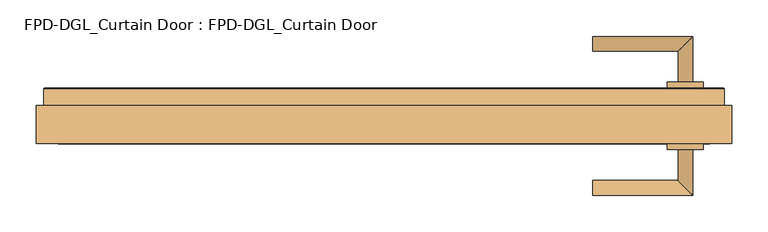
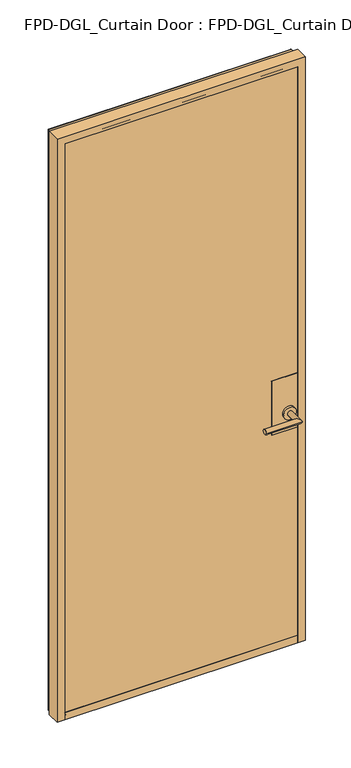
"""IFC4 building model written with IfcOpenShell, lengths in millimetres: door geometry, FPD-DGL_Curtain Door : FPD-DGL_Curtain Door."""

from ifc_helpers import new_model, si_unit, point, frame, frame_2d, origin, place, context, project, spatial, polyline, circle_curve, ellipse_curve, trimmed, segment, composite_curve, outline, extrude, source, transform, mapped, element, save
from ifc_brep_helpers import plane_surface, cylinder_surface, revolved_surface, advanced_brep


def fpd_dgl_curtain_door_fpd_dgl_curtain_door_ed6af8b0(model_context):
    return source(origin(), model_context, "Body", "SolidModel", [
        advanced_brep(
        [(286.7344563, 89.1684274, 965.2), (286.7344563, 109.240371, 965.2), (403.5840967, 89.1684274, 965.2), (423.6560403, 109.240371, 965.2), (403.5840967, 46.5341787, 965.2), (423.6560403, 46.5341787, 965.2)],
        [
            (0, 1, circle_curve(frame((286.7344563, 99.2043992, 965.2), z_axis=(-1.0, 0.0, 0.0), x_axis=(0.0, 1.0, 0.0)), 10.0359718)),
            (1, 0, circle_curve(frame((286.7344563, 99.2043992, 965.2), z_axis=(-1.0, 0.0, 0.0), x_axis=(0.0, 1.0, 0.0)), 10.0359718)),
            (0, 2),
            (2, 3, ellipse_curve(frame((413.6200685, 99.2043992, 965.2), z_axis=(-0.7071067811865464, 0.7071067811865488, 0.0), x_axis=(-0.7071067811865487, -0.7071067811865464, 0.0)), 14.1930074, 10.0359718)),
            (3, 1),
            (3, 2, ellipse_curve(frame((413.6200685, 99.2043992, 965.2), z_axis=(-0.7071067811865464, 0.7071067811865488, 0.0), x_axis=(-0.7071067811865487, -0.7071067811865464, 0.0)), 14.1930074, 10.0359718)),
            (4, 5, circle_curve(frame((413.6200685, 46.5341787, 965.2), z_axis=(0.0, -1.0, 0.0), x_axis=(1.0, 0.0, 0.0)), 10.0359718)),
            (5, 4, circle_curve(frame((413.6200685, 46.5341787, 965.2), z_axis=(0.0, -1.0, 0.0), x_axis=(1.0, 0.0, 0.0)), 10.0359718)),
            (2, 4),
            (5, 3),
        ],
        [
            plane_surface(frame((286.7344563, 99.2043992, 965.2), z_axis=(-1.0, 0.0, 0.0), x_axis=(0.0, 0.0, 1.0))),
            cylinder_surface(frame((286.7344563, 99.2043992, 965.2), z_axis=(-1.0, 0.0, 0.0), x_axis=(0.0, 1.0, 0.0)), 10.0359718),
            plane_surface(frame((413.6200685, 46.5341787, 965.2), z_axis=(0.0, -1.0, 0.0), x_axis=(0.0, 0.0, 1.0))),
            cylinder_surface(frame((413.6200685, 99.2043992, 965.2), z_axis=(0.0, 1.0, 0.0), x_axis=(1.0, 0.0, 0.0)), 10.0359718),
        ],
        [
            (0, [[1, 2]]),
            (1, [[-1, 3, 4, 5]]),
            (1, [[-2, -5, 6, -3]]),
            (2, [[7, 8]]),
            (3, [[-4, 9, -8, 10]]),
            (3, [[-6, -10, -7, -9]]),
        ],
    ),
        advanced_brep(
        [(403.5840967, -46.3299066, 965.2), (423.6560403, -46.3299066, 965.2), (403.5840967, -88.9641553, 965.2), (423.6560403, -109.0360989, 965.2), (286.7344563, -88.9641553, 965.2), (286.7344563, -109.0360989, 965.2)],
        [
            (0, 1, circle_curve(frame((413.6200685, -46.3299066, 965.2), z_axis=(0.0, 1.0, 0.0), x_axis=(1.0, 0.0, 0.0)), 10.0359718)),
            (1, 0, circle_curve(frame((413.6200685, -46.3299066, 965.2), z_axis=(0.0, 1.0, 0.0), x_axis=(1.0, 0.0, 0.0)), 10.0359718)),
            (0, 2),
            (2, 3, ellipse_curve(frame((413.6200685, -99.0001271, 965.2), z_axis=(0.7071067811865487, 0.7071067811865464, 0.0), x_axis=(-0.7071067811865464, 0.7071067811865487, 0.0)), 14.1930074, 10.0359718)),
            (3, 1),
            (3, 2, ellipse_curve(frame((413.6200685, -99.0001271, 965.2), z_axis=(0.7071067811865487, 0.7071067811865464, 0.0), x_axis=(-0.7071067811865464, 0.7071067811865487, 0.0)), 14.1930074, 10.0359718)),
            (4, 5, circle_curve(frame((286.7344563, -99.0001271, 965.2), z_axis=(-1.0, 0.0, 0.0), x_axis=(0.0, -1.0, 0.0)), 10.0359718)),
            (5, 4, circle_curve(frame((286.7344563, -99.0001271, 965.2), z_axis=(-1.0, 0.0, 0.0), x_axis=(0.0, -1.0, 0.0)), 10.0359718)),
            (2, 4),
            (5, 3),
        ],
        [
            plane_surface(frame((413.6200685, -46.3299066, 965.2), z_axis=(0.0, 1.0, 0.0), x_axis=(0.0, 0.0, 1.0))),
            cylinder_surface(frame((413.6200685, -46.3299066, 965.2), z_axis=(0.0, 1.0, 0.0), x_axis=(1.0, 0.0, 0.0)), 10.0359718),
            plane_surface(frame((286.7344563, -99.0001271, 965.2), z_axis=(-1.0, 0.0, 0.0), x_axis=(0.0, 0.0, 1.0))),
            cylinder_surface(frame((413.6200685, -99.0001271, 965.2), z_axis=(1.0, 0.0, 0.0), x_axis=(0.0, -1.0, 0.0)), 10.0359718),
        ],
        [
            (0, [[1, 2]]),
            (1, [[-1, 3, 4, 5]]),
            (1, [[-2, -5, 6, -3]]),
            (2, [[7, 8]]),
            (3, [[-4, 9, -8, 10]]),
            (3, [[-6, -10, -7, -9]]),
        ],
    ),
        extrude(outline(composite_curve([segment(trimmed(circle_curve(frame_2d((965.2, 413.6200685)), 24.60625), [point((965.2, 389.0138185))], [point((965.2, 438.2263185))], False, "CARTESIAN"), True, "CONTINUOUS"), segment(trimmed(circle_curve(frame_2d((965.2, 413.6200685)), 24.60625), [point((965.2, 438.2263185))], [point((965.2, 389.0138185))], False, "CARTESIAN"), True, "CONTINUOUS")], self_intersect=False)), frame((0.0, -46.3299066, 0.0), z_axis=(0.0, 1.0, 0.0), x_axis=(0.0, 0.0, 1.0)), (0.0, 0.0, 1.0), 8.3298107),
        extrude(outline(composite_curve([segment(trimmed(circle_curve(frame_2d((965.2, 413.6200685)), 24.60625), [point((965.2, 389.0138185))], [point((965.2, 438.2263185))], False, "CARTESIAN"), True, "CONTINUOUS"), segment(trimmed(circle_curve(frame_2d((965.2, 413.6200685)), 24.60625), [point((965.2, 438.2263185))], [point((965.2, 389.0138185))], False, "CARTESIAN"), True, "CONTINUOUS")], self_intersect=False)), frame((0.0, 38.1999024, 0.0), z_axis=(0.0, 1.0, 0.0), x_axis=(0.0, 0.0, 1.0)), (0.0, 0.0, 1.0), 8.3342763),
        extrude(outline(polyline([(447.1201285, -38.0000959), (347.1200159, -38.0000959), (347.1200159, -36.6000989), (447.1201285, -36.6000989), (447.1201285, -38.0000959)])), frame((0.0, 0.0, 893.55), z_axis=(0.0, 0.0, 1.0), x_axis=(1.0, 0.0, 0.0)), (0.0, 0.0, 1.0), 220.0),
        extrude(outline(polyline([(447.1201285, 36.7999054), (347.1200159, 36.7999054), (347.1200159, 38.1999024), (447.1201285, 38.1999024), (447.1201285, 36.7999054)])), frame((0.0, 0.0, 893.55), z_axis=(0.0, 0.0, 1.0), x_axis=(1.0, 0.0, 0.0)), (0.0, 0.0, 1.0), 220.0),
        extrude(outline(polyline([(-457.7162996, 28.1030481), (-457.7162996, 36.7999054), (457.7162996, 36.7999054), (457.7162996, 28.1030481), (-457.7162996, 28.1030481)])), frame((0.0, 0.0, 35.2749614), z_axis=(0.0, 0.0, 1.0), x_axis=(1.0, 0.0, 0.0)), (0.0, 0.0, 1.0), 2331.339864),
        extrude(outline(polyline([(457.7162996, -28.0762398), (457.7162996, -36.7730971), (-457.7162996, -36.7730971), (-457.7162996, -28.0762398), (457.7162996, -28.0762398)])), frame((0.0, 0.0, 35.2749614), z_axis=(0.0, 0.0, 1.0), x_axis=(1.0, 0.0, 0.0)), (0.0, 0.0, 1.0), 2331.339864),
        advanced_brep(
        [(477.1092919, -38.0731917, 15.875), (447.1201285, -38.0731917, 15.875), (447.1201285, -36.773661, 15.875), (457.7162997, -36.773661, 15.875), (457.7162997, -28.076804, 15.875), (447.1201285, -28.076804, 15.875), (447.1201285, 28.1030481, 15.875), (457.7162996, 28.1030481, 15.875), (457.7162996, 36.7999054, 15.875), (447.1201285, 36.7999054, 15.875), (447.1201285, 38.0994357, 15.875), (465.9949186, 38.0994357, 15.875), (466.7946296, 37.2997247, 15.875), (466.7946296, 13.9501736, 15.875), (477.1092919, 13.9501736, 15.875), (477.1092919, -38.0731917, 2386.0078176), (-477.1092919, -38.0731917, 2386.0078176), (-477.1092919, -38.0731917, 15.875), (-447.1201285, -38.0731917, 15.875), (-447.1201285, -38.0731917, 2356.0186542), (447.1201285, -38.0731917, 2356.0186542), (447.1201285, -36.773661, 2356.0186542), (-447.1201285, -36.773661, 2356.0186542), (-447.1201285, -36.773661, 15.875), (-457.7162997, -36.773661, 15.875), (-457.7162997, -36.773661, 2366.6148254), (457.7162997, -36.773661, 2366.6148254), (457.7162997, -28.076804, 2366.6148254), (-457.7162997, -28.076804, 2366.6148254), (-457.7162997, -28.076804, 15.875), (-447.1201285, -28.076804, 15.875), (-447.1201285, -28.076804, 2356.0186542), (447.1201285, -28.076804, 2356.0186542), (447.1201285, 28.1030481, 2356.0186542), (-447.1201285, 28.1030481, 2356.0186542), (-447.1201285, 28.1030481, 15.875), (-457.7162996, 28.1030481, 15.875), (-457.7162996, 28.1030481, 2366.6148253), (457.7162996, 28.1030481, 2366.6148253), (457.7162996, 36.7999054, 2366.6148253), (-457.7162996, 36.7999054, 2366.6148253), (-457.7162996, 36.7999054, 15.875), (-447.1201285, 36.7999054, 15.875), (-447.1201285, 36.7999054, 2356.0186542), (447.1201285, 36.7999054, 2356.0186542), (447.1201285, 38.0994357, 2356.0186542), (-447.1201285, 38.0994357, 2356.0186542), (-447.1201285, 38.0994357, 15.875), (-465.9949186, 38.0994357, 15.875), (-465.9949186, 38.0994357, 2374.8934443), (465.9949186, 38.0994357, 2374.8934443), (466.7946296, 37.2997247, 2375.6931553), (466.7946296, 13.9501736, 2375.6931553), (-466.7946296, 13.9501736, 2375.6931553), (-466.7946296, 13.9501736, 15.875), (-477.1092919, 13.9501736, 15.875), (-477.1092919, 13.9501736, 2386.0078176), (477.1092919, 13.9501736, 2386.0078176), (-466.7946296, 37.2997247, 15.875), (-466.7946296, 37.2997247, 2375.6931553)],
        [
            (0, 1),
            (1, 2),
            (2, 3),
            (3, 4),
            (4, 5),
            (5, 6),
            (6, 7),
            (7, 8),
            (8, 9),
            (9, 10),
            (10, 11),
            (11, 12, circle_curve(frame((465.9949186, 37.2997247, 15.875), z_axis=(0.0, 0.0, -1.0), x_axis=(0.0, -1.0, 0.0)), 0.799711)),
            (12, 13),
            (13, 14),
            (14, 0),
            (0, 15),
            (15, 16),
            (16, 17),
            (17, 18),
            (18, 19),
            (19, 20),
            (20, 1),
            (20, 21),
            (21, 2),
            (21, 22),
            (22, 23),
            (23, 24),
            (24, 25),
            (25, 26),
            (26, 3),
            (26, 27),
            (27, 4),
            (27, 28),
            (28, 29),
            (29, 30),
            (30, 31),
            (31, 32),
            (32, 5),
            (32, 33),
            (33, 6),
            (33, 34),
            (34, 35),
            (35, 36),
            (36, 37),
            (37, 38),
            (38, 7),
            (38, 39),
            (39, 8),
            (39, 40),
            (40, 41),
            (41, 42),
            (42, 43),
            (43, 44),
            (44, 9),
            (44, 45),
            (45, 10),
            (45, 46),
            (46, 47),
            (47, 48),
            (48, 49),
            (49, 50),
            (50, 11),
            (50, 51, ellipse_curve(frame((465.9949186, 37.2997247, 2374.8934443), z_axis=(0.7071067811865475, 0.0, -0.7071067811865475), x_axis=(-0.7071067811865474, 0.0, -0.7071067811865476)), 1.1309622, 0.799711)),
            (51, 12),
            (51, 52),
            (52, 13),
            (52, 53),
            (53, 54),
            (54, 55),
            (55, 56),
            (56, 57),
            (57, 14),
            (57, 15),
            (16, 56),
            (55, 17),
            (54, 58),
            (58, 48, circle_curve(frame((-465.9949186, 37.2997247, 15.875), z_axis=(0.0, 0.0, -1.0), x_axis=(0.0, -1.0, 0.0)), 0.799711)),
            (47, 42),
            (41, 36),
            (35, 30),
            (29, 24),
            (23, 18),
            (22, 19),
            (28, 25),
            (34, 31),
            (40, 37),
            (46, 43),
            (59, 49, ellipse_curve(frame((-465.9949186, 37.2997247, 2374.8934443), z_axis=(-0.7071067811865475, 0.0, -0.7071067811865475), x_axis=(-0.7071067811865474, 0.0, 0.7071067811865476)), 1.1309622, 0.799711)),
            (58, 59),
            (53, 59),
            (59, 51),
        ],
        [
            plane_surface(frame((477.1092919, 0.0134041, 15.875), z_axis=(0.0, 0.0, -1.0), x_axis=(0.0, -1.0, 0.0))),
            plane_surface(frame((477.1092919, -38.0731917, 15.875), z_axis=(0.0, -1.0, 0.0), x_axis=(0.0, 0.0, 1.0))),
            plane_surface(frame((447.1201285, -38.0731917, 15.875), z_axis=(-1.0, 0.0, 0.0), x_axis=(0.0, 0.0, 1.0))),
            plane_surface(frame((447.1201285, -36.773661, 15.875), z_axis=(0.0, 1.0, 0.0), x_axis=(0.0, 0.0, 1.0))),
            plane_surface(frame((457.7162997, -36.773661, 15.875), z_axis=(-1.0, 0.0, 0.0), x_axis=(0.0, 0.0, 1.0))),
            plane_surface(frame((457.7162997, -28.076804, 15.875), z_axis=(0.0, -1.0, 0.0), x_axis=(0.0, 0.0, 1.0))),
            plane_surface(frame((447.1201285, -28.076804, 15.875), z_axis=(-1.0, 0.0, 0.0), x_axis=(0.0, 0.0, 1.0))),
            plane_surface(frame((447.1201285, 28.1030481, 15.875), z_axis=(0.0, 1.0, 0.0), x_axis=(0.0, 0.0, 1.0))),
            plane_surface(frame((457.7162996, 28.1030481, 15.875), z_axis=(-1.0, 0.0, 0.0), x_axis=(0.0, 0.0, 1.0))),
            plane_surface(frame((457.7162996, 36.7999054, 15.875), z_axis=(0.0, -1.0, 0.0), x_axis=(0.0, 0.0, 1.0))),
            plane_surface(frame((447.1201285, 36.7999054, 15.875), z_axis=(-1.0, 0.0, 0.0), x_axis=(0.0, 0.0, 1.0))),
            plane_surface(frame((447.1201285, 38.0994357, 15.875), z_axis=(0.0, 1.0, 0.0), x_axis=(0.0, 0.0, 1.0))),
            cylinder_surface(frame((465.9949186, 37.2997247, 15.875), z_axis=(0.0, 0.0, -1.0), x_axis=(0.0, -1.0, 0.0)), 0.799711),
            plane_surface(frame((466.7946296, 37.2997247, 15.875), z_axis=(1.0, 0.0, 0.0), x_axis=(0.0, 0.0, 1.0))),
            plane_surface(frame((466.7946296, 13.9501736, 15.875), z_axis=(0.0, 1.0, 0.0), x_axis=(0.0, 0.0, 1.0))),
            plane_surface(frame((477.1092919, 13.9501736, 15.875), z_axis=(1.0, 0.0, 0.0), x_axis=(0.0, 0.0, 1.0))),
            plane_surface(frame((-477.1092919, 13.9501736, 2386.0078176), z_axis=(-1.0, 0.0, 0.0), x_axis=(0.0, 0.0, -1.0))),
            plane_surface(frame((-477.1092919, 0.0134041, 15.875), z_axis=(0.0, 0.0, -1.0), x_axis=(0.0, -1.0, 0.0))),
            plane_surface(frame((-447.1201285, -38.0731917, 2356.0186542), z_axis=(1.0, 0.0, 0.0), x_axis=(0.0, 0.0, -1.0))),
            plane_surface(frame((-457.7162997, -36.773661, 2366.6148254), z_axis=(1.0, 0.0, 0.0), x_axis=(0.0, 0.0, -1.0))),
            plane_surface(frame((-447.1201285, -28.076804, 2356.0186542), z_axis=(1.0, 0.0, 0.0), x_axis=(0.0, 0.0, -1.0))),
            plane_surface(frame((-457.7162996, 28.1030481, 2366.6148253), z_axis=(1.0, 0.0, 0.0), x_axis=(0.0, 0.0, -1.0))),
            plane_surface(frame((-447.1201285, 36.7999054, 2356.0186542), z_axis=(1.0, 0.0, 0.0), x_axis=(0.0, 0.0, -1.0))),
            cylinder_surface(frame((-465.9949186, 37.2997247, 2386.0078176), z_axis=(0.0, 0.0, 1.0), x_axis=(0.0, -1.0, 0.0)), 0.799711),
            plane_surface(frame((-466.7946296, 37.2997247, 2375.6931553), z_axis=(-1.0, 0.0, 0.0), x_axis=(0.0, 0.0, -1.0))),
            plane_surface(frame((447.1201285, -38.0731917, 2356.0186542), z_axis=(0.0, 0.0, -1.0), x_axis=(-1.0, 0.0, 0.0))),
            plane_surface(frame((457.7162997, -36.773661, 2366.6148254), z_axis=(0.0, 0.0, -1.0), x_axis=(-1.0, 0.0, 0.0))),
            plane_surface(frame((447.1201285, -28.076804, 2356.0186542), z_axis=(0.0, 0.0, -1.0), x_axis=(-1.0, 0.0, 0.0))),
            plane_surface(frame((457.7162996, 28.1030481, 2366.6148253), z_axis=(0.0, 0.0, -1.0), x_axis=(-1.0, 0.0, 0.0))),
            plane_surface(frame((447.1201285, 36.7999054, 2356.0186542), z_axis=(0.0, 0.0, -1.0), x_axis=(-1.0, 0.0, 0.0))),
            cylinder_surface(frame((477.1092919, 37.2997247, 2374.8934443), z_axis=(1.0, 0.0, 0.0), x_axis=(0.0, -1.0, 0.0)), 0.799711),
            plane_surface(frame((466.7946296, 37.2997247, 2375.6931553), z_axis=(0.0, 0.0, 1.0), x_axis=(-1.0, 0.0, 0.0))),
            plane_surface(frame((477.1092919, 13.9501736, 2386.0078176), z_axis=(0.0, 0.0, 1.0), x_axis=(-1.0, 0.0, 0.0))),
        ],
        [
            (0, [[1, 2, 3, 4, 5, 6, 7, 8, 9, 10, 11, 12, 13, 14, 15]]),
            (1, [[-1, 16, 17, 18, 19, 20, 21, 22]]),
            (2, [[-2, -22, 23, 24]]),
            (3, [[-3, -24, 25, 26, 27, 28, 29, 30]]),
            (4, [[-4, -30, 31, 32]]),
            (5, [[-5, -32, 33, 34, 35, 36, 37, 38]]),
            (6, [[-6, -38, 39, 40]]),
            (7, [[-7, -40, 41, 42, 43, 44, 45, 46]]),
            (8, [[-8, -46, 47, 48]]),
            (9, [[-9, -48, 49, 50, 51, 52, 53, 54]]),
            (10, [[-10, -54, 55, 56]]),
            (11, [[-11, -56, 57, 58, 59, 60, 61, 62]]),
            (12, [[-12, -62, 63, 64]]),
            (13, [[-13, -64, 65, 66]]),
            (14, [[-14, -66, 67, 68, 69, 70, 71, 72]]),
            (15, [[-15, -72, 73, -16]]),
            (16, [[74, -70, 75, -18]]),
            (17, [[-75, -69, 76, 77, -59, 78, -51, 79, -43, 80, -35, 81, -27, 82, -19]]),
            (18, [[83, -20, -82, -26]]),
            (19, [[84, -28, -81, -34]]),
            (20, [[85, -36, -80, -42]]),
            (21, [[86, -44, -79, -50]]),
            (22, [[87, -52, -78, -58]]),
            (23, [[88, -60, -77, 89]]),
            (24, [[90, -89, -76, -68]]),
            (25, [[-23, -21, -83, -25]]),
            (26, [[-31, -29, -84, -33]]),
            (27, [[-39, -37, -85, -41]]),
            (28, [[-47, -45, -86, -49]]),
            (29, [[-55, -53, -87, -57]]),
            (30, [[-63, -61, -88, 91]]),
            (31, [[-65, -91, -90, -67]]),
            (32, [[-73, -71, -74, -17]]),
        ],
    ),
        advanced_brep(
        [(447.1201285, 28.127892, 45.8749402), (447.1201285, -28.0721576, 45.8749402), (447.1201285, -28.0721576, 35.2749614), (447.1201285, -36.2721409, 35.2749614), (447.1201285, -36.7721399, 35.7749604), (447.1201285, -36.7721402, 43.0952793), (447.1201285, -36.6721405, 44.0749436), (447.1201285, -36.6721405, 45.8749402), (447.1201285, -38.0721375, 45.8749402), (447.1201285, -38.0721375, 15.875), (447.1201285, 37.3278641, 15.875), (447.1201285, 38.1278625, 16.6749984), (447.1201285, 38.1278625, 45.8749402), (447.1201285, 36.7278654, 45.8749402), (447.1201285, 36.7278654, 44.0749434), (447.1201285, 36.8278651, 43.0952791), (447.1201285, 36.8278651, 35.2749613), (447.1201285, 28.127892, 35.2749613), (-447.3975496, 28.127892, 45.8749402), (-447.3975496, 28.127892, 35.2749613), (-447.3975496, 36.8278651, 35.2749613), (-447.3975496, 36.8278651, 43.0952791), (-447.3975496, 36.7278654, 44.0749434), (-447.3975496, 36.7278654, 45.8749402), (-447.3975496, 38.1278625, 45.8749402), (-447.3975496, 38.1278625, 16.6749984), (-447.3975496, 37.3278641, 15.875), (-447.3975496, -38.0721375, 15.875), (-447.3975496, -38.0721375, 45.8749402), (-447.3975496, -36.6721405, 45.8749402), (-447.3975496, -36.6721405, 44.0749436), (-447.3975496, -36.7721402, 43.0952793), (-447.3975496, -36.7721402, 35.7749604), (-447.3975496, -36.2721409, 35.2749614), (-447.3975496, -28.0721576, 35.2749614), (-447.3975496, -28.0721576, 45.8749402)],
        [
            (0, 1),
            (1, 2),
            (2, 3),
            (3, 4, circle_curve(frame((447.1201285, -36.2721409, 35.7749604), z_axis=(-1.0, 0.0, 0.0), x_axis=(0.0, 0.0, -1.0)), 0.499999)),
            (4, 5),
            (5, 6),
            (6, 7),
            (7, 8),
            (8, 9),
            (9, 10),
            (10, 11, circle_curve(frame((447.1201285, 37.3278641, 16.6749984), z_axis=(1.0, 0.0, 0.0), x_axis=(0.0, 0.0, -1.0)), 0.7999984)),
            (11, 12),
            (12, 13),
            (13, 14),
            (14, 15),
            (15, 16),
            (16, 17),
            (17, 0),
            (18, 19),
            (19, 20),
            (20, 21),
            (21, 22),
            (22, 23),
            (23, 24),
            (24, 25),
            (25, 26, circle_curve(frame((-447.3975496, 37.3278641, 16.6749984), z_axis=(-1.0, 0.0, 0.0), x_axis=(0.0, 0.0, -1.0)), 0.7999984)),
            (26, 27),
            (27, 28),
            (28, 29),
            (29, 30),
            (30, 31),
            (31, 32),
            (32, 33, circle_curve(frame((-447.3975496, -36.2721409, 35.7749604), z_axis=(1.0, 0.0, 0.0), x_axis=(0.0, 0.0, -1.0)), 0.499999)),
            (33, 34),
            (34, 35),
            (35, 18),
            (0, 18),
            (35, 1),
            (34, 2),
            (33, 3),
            (32, 4),
            (31, 5),
            (30, 6),
            (29, 7),
            (28, 8),
            (27, 9),
            (26, 10),
            (25, 11),
            (24, 12),
            (23, 13),
            (22, 14),
            (21, 15),
            (20, 16),
            (19, 17),
        ],
        [
            plane_surface(frame((447.1201285, 0.0134041, 15.875), z_axis=(1.0, 0.0, 0.0), x_axis=(0.0, -1.0, 0.0))),
            plane_surface(frame((-447.3975496, 0.0134041, 15.875), z_axis=(-1.0, 0.0, 0.0), x_axis=(0.0, -1.0, 0.0))),
            plane_surface(frame((447.1201285, 28.127892, 45.8749402), z_axis=(0.0, 0.0, 1.0), x_axis=(-1.0, 0.0, 0.0))),
            plane_surface(frame((447.1201285, -28.0721576, 45.8749402), z_axis=(0.0, -1.0, 0.0), x_axis=(-1.0, 0.0, 0.0))),
            plane_surface(frame((447.1201285, -28.0721576, 35.2749614), z_axis=(0.0, 0.0, 1.0), x_axis=(-1.0, 0.0, 0.0))),
            revolved_surface(polyline([(-447.3975496, -36.2721409, 35.274961399999995), (447.1201285, -36.2721409, 35.274961399999995)]), (447.1201285, -36.2721409, 35.7749604), (-1.0, 0.0, 0.0)),
            plane_surface(frame((447.1201285, -36.7721402, 35.7749604), z_axis=(0.0, 1.0, 0.0), x_axis=(-1.0, 0.0, 0.0))),
            plane_surface(frame((447.1201285, -36.7721402, 43.0952793), z_axis=(0.0, 0.9948306566600448, -0.10154784374541988), x_axis=(-1.0, 0.0, 0.0))),
            plane_surface(frame((447.1201285, -36.6721405, 44.0749436), z_axis=(0.0, 1.0, 0.0), x_axis=(-1.0, 0.0, 0.0))),
            plane_surface(frame((447.1201285, -36.6721405, 45.8749402), z_axis=(0.0, 0.0, 1.0), x_axis=(-1.0, 0.0, 0.0))),
            plane_surface(frame((447.1201285, -38.0721375, 45.8749402), z_axis=(0.0, -1.0, 0.0), x_axis=(-1.0, 0.0, 0.0))),
            plane_surface(frame((447.1201285, -38.0721375, 15.875), z_axis=(0.0, 0.0, -1.0), x_axis=(-1.0, 0.0, 0.0))),
            cylinder_surface(frame((447.1201285, 37.3278641, 16.6749984), z_axis=(1.0, 0.0, 0.0), x_axis=(0.0, 0.0, -1.0)), 0.7999984),
            plane_surface(frame((447.1201285, 38.1278625, 16.6749984), z_axis=(0.0, 1.0, 0.0), x_axis=(-1.0, 0.0, 0.0))),
            plane_surface(frame((447.1201285, 38.1278625, 45.8749402), z_axis=(0.0, 0.0, 1.0), x_axis=(-1.0, 0.0, 0.0))),
            plane_surface(frame((447.1201285, 36.7278654, 45.8749402), z_axis=(0.0, -1.0, 0.0), x_axis=(-1.0, 0.0, 0.0))),
            plane_surface(frame((447.1201285, 36.7278654, 44.0749434), z_axis=(0.0, -0.9948306566625575, -0.10154784372080249), x_axis=(-1.0, 0.0, 0.0))),
            plane_surface(frame((447.1201285, 36.8278651, 43.0952791), z_axis=(0.0, -1.0, 0.0), x_axis=(-1.0, 0.0, 0.0))),
            plane_surface(frame((447.1201285, 36.8278651, 35.2749613), z_axis=(0.0, 0.0, 1.0), x_axis=(-1.0, 0.0, 0.0))),
            plane_surface(frame((447.1201285, 28.127892, 35.2749613), z_axis=(0.0, 1.0, 0.0), x_axis=(-1.0, 0.0, 0.0))),
        ],
        [
            (0, [[1, 2, 3, 4, 5, 6, 7, 8, 9, 10, 11, 12, 13, 14, 15, 16, 17, 18]]),
            (1, [[19, 20, 21, 22, 23, 24, 25, 26, 27, 28, 29, 30, 31, 32, 33, 34, 35, 36]]),
            (2, [[-1, 37, -36, 38]]),
            (3, [[-2, -38, -35, 39]]),
            (4, [[-3, -39, -34, 40]]),
            (5, [[-4, -40, -33, 41]]),
            (6, [[-5, -41, -32, 42]]),
            (7, [[-6, -42, -31, 43]]),
            (8, [[-7, -43, -30, 44]]),
            (9, [[-8, -44, -29, 45]]),
            (10, [[-9, -45, -28, 46]]),
            (11, [[-10, -46, -27, 47]]),
            (12, [[-11, -47, -26, 48]]),
            (13, [[-12, -48, -25, 49]]),
            (14, [[-13, -49, -24, 50]]),
            (15, [[-14, -50, -23, 51]]),
            (16, [[-15, -51, -22, 52]]),
            (17, [[-16, -52, -21, 53]]),
            (18, [[-17, -53, -20, 54]]),
            (19, [[-18, -54, -19, -37]]),
        ],
    ),
    ])


if __name__ == "__main__":
    model = new_model("IFC4")
    model_context = context("Model", 3, world=origin())
    ifc_project = project(units=[si_unit("LENGTHUNIT", "METRE", prefix="MILLI")], contexts=[model_context])
    site = spatial("IfcSite", under=ifc_project)
    building = spatial("IfcBuilding", under=site)
    placement = place(None, origin())
    fpd_dgl_curtain_door_fpd_dgl_curtain_door_shape = fpd_dgl_curtain_door_fpd_dgl_curtain_door_ed6af8b0(model_context)
    element("IfcDoor", 1, ObjectType="FPD-DGL_Curtain Door : FPD-DGL_Curtain Door", at=placement, inside=building, context=model_context, shape_type="MappedRepresentation", body=[
        mapped(fpd_dgl_curtain_door_fpd_dgl_curtain_door_shape, transform((0.0, 0.0, 0.0), x_axis=(1.0, 0.0, 0.0), y_axis=(0.0, 1.0, 0.0), z_axis=(0.0, 0.0, 1.0))),
    ])
    save(model, "model.ifc")
